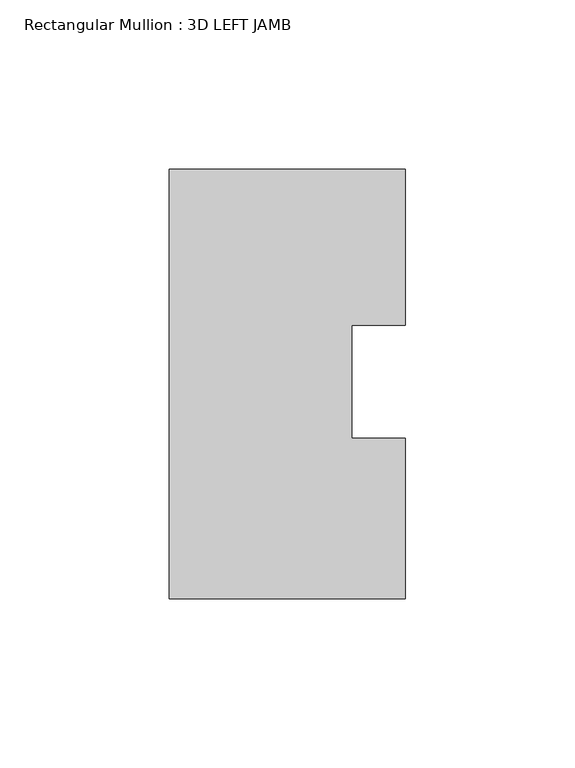
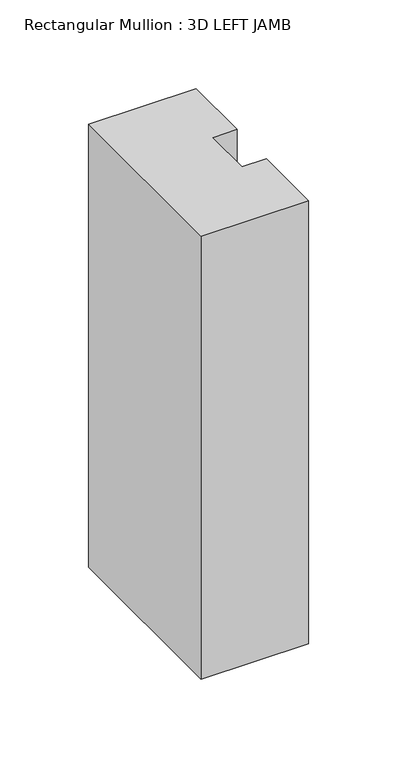
"""IFC4 building model written with IfcOpenShell, lengths in millimetres: member geometry, Rectangular Mullion : 3D LEFT JAMB."""

from ifc_helpers import new_model, si_unit, frame, origin, place, context, project, spatial, polyline, outline, extrude, source, transform, mapped, element, save


def rectangular_mullion_3d_left_jamb_1c32560d(model_context):
    return source(origin(), model_context, "Body", "SweptSolid", [
        extrude(outline(polyline([(0.0, 62.8644207), (0.0, 16.6815107), (-15.875, 16.6815107), (-15.875, -16.6815107), (0.0, -16.6815107), (0.0, -64.1355793), (-69.85, -64.1355793), (-69.85, 62.8644207), (0.0, 62.8644207)])), frame((0.0, 0.0, -304.8), z_axis=(0.0, 0.0, 1.0), x_axis=(1.0, 0.0, 0.0)), (0.0, 0.0, 1.0), 304.8),
    ])


if __name__ == "__main__":
    model = new_model("IFC4")
    model_context = context("Model", 3, world=origin())
    ifc_project = project(units=[si_unit("LENGTHUNIT", "METRE", prefix="MILLI")], contexts=[model_context])
    site = spatial("IfcSite", under=ifc_project)
    building = spatial("IfcBuilding", under=site)
    placement = place(None, origin())
    rectangular_mullion_3d_left_jamb_shape = rectangular_mullion_3d_left_jamb_1c32560d(model_context)
    element("IfcMember", 1, ObjectType="Rectangular Mullion : 3D LEFT JAMB", at=placement, inside=building, context=model_context, shape_type="MappedRepresentation", body=[
        mapped(rectangular_mullion_3d_left_jamb_shape, transform((0.0, 0.0, 0.0), x_axis=(1.0, 0.0, 0.0), y_axis=(0.0, 1.0, 0.0), z_axis=(0.0, 0.0, 1.0))),
    ])
    save(model, "model.ifc")
